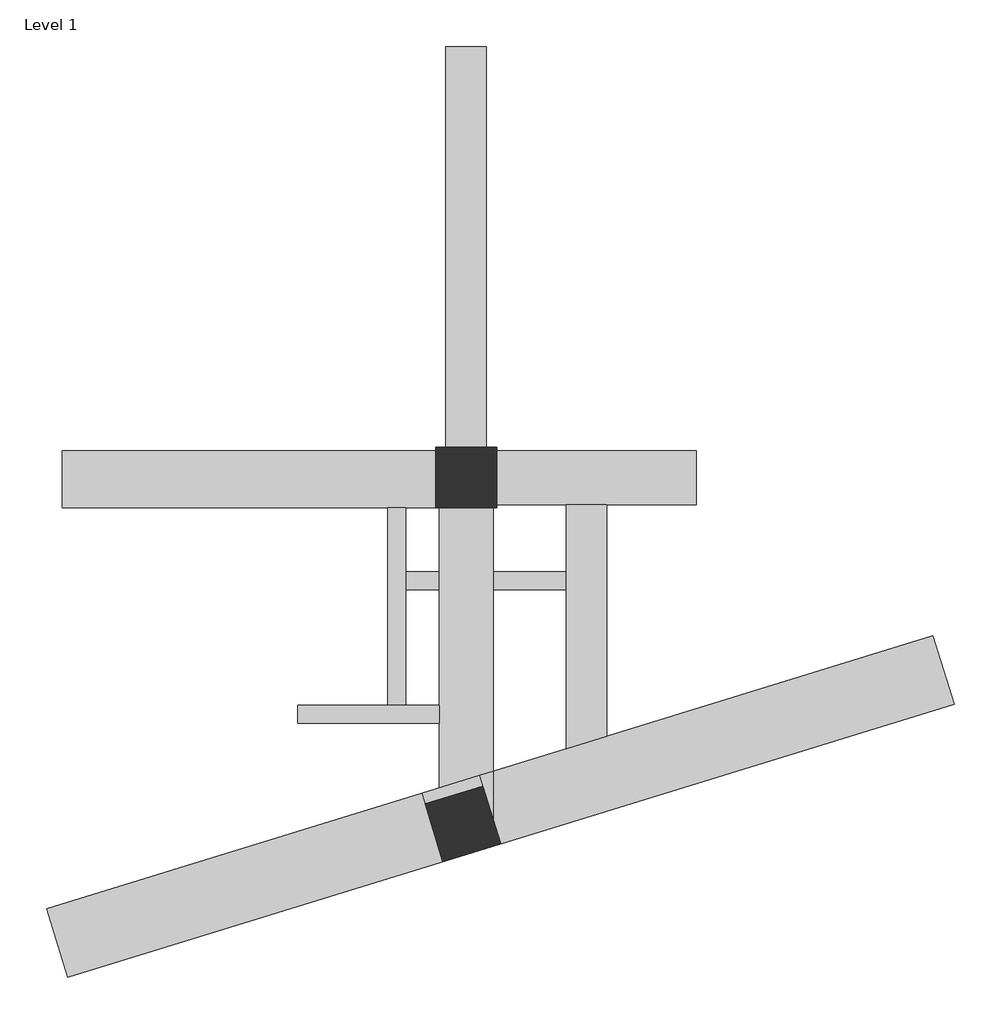
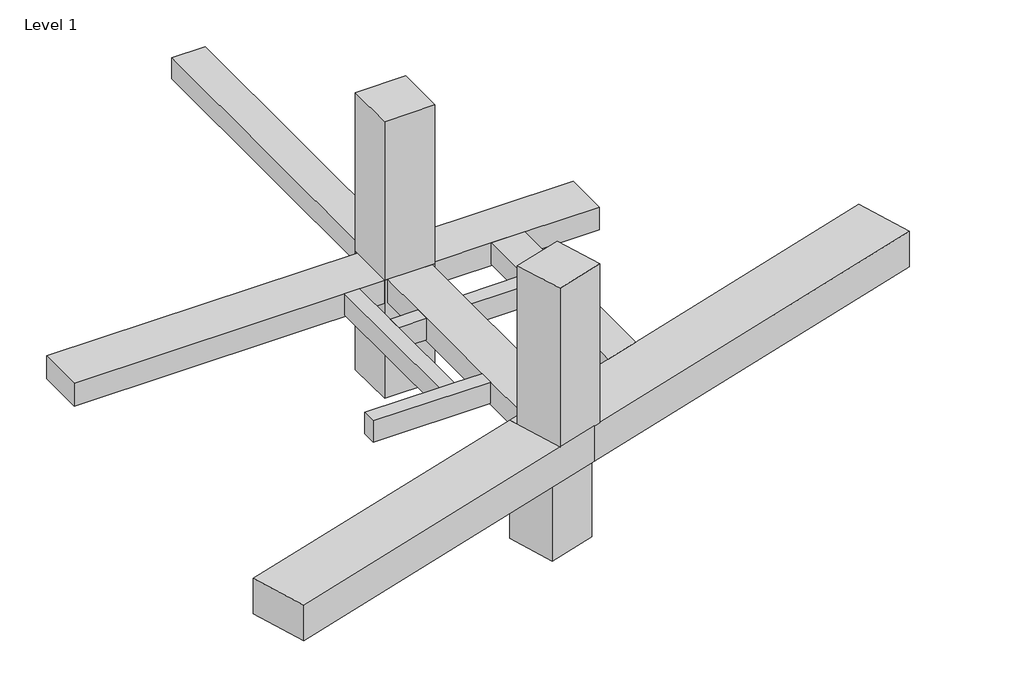
# One storey: 11 beams, 4 columns.
"""IFC4 building model written with IfcOpenShell, lengths in millimetres."""

import ifcopenshell
import ifcopenshell.guid

model = None  # the IFC model being written
_history = None  # IfcOwnerHistory: only IFC2X3 demands one
_inside = {}  # id of a spatial element -> (the spatial element, [elements in it])
_under = {}  # id of a project, library or spatial element -> (it, [spatial elements below it])
_declared = {}  # id of a project -> (the project, [libraries it declares])
_typed = {}  # id of a type object -> (the type object, [elements of that type])
_made_of = {}  # id of a material, layer set ... -> (it, [elements and type objects made of it])


def new_model(schema):
    """Start an empty IFC model of exactly this schema.

    Asked for "IFC4X3", IfcOpenShell would pick the latest addendum, in which some entities
    have other attributes; the version numbers below select the first issue.
    IFC2X3 requires an IfcOwnerHistory on every rooted entity: one is made here for all.
    """
    global model, _history
    if schema == "IFC4X3":
        model = ifcopenshell.file(schema_version=(4, 3, 0, 0))
    else:
        model = ifcopenshell.file(schema=schema)
    _inside.clear()
    _under.clear()
    _declared.clear()
    _typed.clear()
    _made_of.clear()
    _history = None
    if model.schema == "IFC2X3":
        org = make("IfcOrganization", Name="unknown")
        user = make(
            "IfcPersonAndOrganization",
            ThePerson=make("IfcPerson", FamilyName="unknown"),
            TheOrganization=org,
        )
        app = make(
            "IfcApplication",
            ApplicationDeveloper=org,
            Version="unknown",
            ApplicationFullName="unknown",
            ApplicationIdentifier="unknown",
        )
        _history = make(
            "IfcOwnerHistory",
            OwningUser=user,
            OwningApplication=app,
            ChangeAction="ADDED",
            CreationDate=0,
        )
    return model


def make(cls, **values):
    """One entity of the class cls with the attributes given. An attribute that is None is left unset."""
    return model.create_entity(
        cls, **{name: value for name, value in values.items() if value is not None}
    )


def rooted(cls, **values):
    """An entity with a GlobalId (a new one), such as an element, a storey or a relation."""
    return make(cls, GlobalId=ifcopenshell.guid.new(), OwnerHistory=_history, **values)


def si_unit(unit_type, name, prefix=None):
    """IfcSIUnit, for example si_unit("LENGTHUNIT", "METRE", prefix="MILLI")."""
    return make("IfcSIUnit", UnitType=unit_type, Prefix=prefix, Name=name)


def assignment(units):
    """IfcUnitAssignment: the units of a project."""
    return None if units is None else make("IfcUnitAssignment", Units=units)


def point(xyz):
    """IfcCartesianPoint."""
    return None if xyz is None else make("IfcCartesianPoint", Coordinates=xyz)


def direction(xyz):
    """IfcDirection."""
    return None if xyz is None else make("IfcDirection", DirectionRatios=xyz)


def frame(location, z_axis=None, x_axis=None):
    """IfcAxis2Placement3D, a coordinate frame: its origin and axes. An axis left out is left unset."""
    return make(
        "IfcAxis2Placement3D",
        Location=point(location),
        Axis=direction(z_axis),
        RefDirection=direction(x_axis),
    )


def origin():
    """The frame at (0, 0, 0) with its axes left unset."""
    return frame((0.0, 0.0, 0.0))


def origin_with_axes():
    """The frame at (0, 0, 0) with the z axis (0, 0, 1) and the x axis (1, 0, 0) written out."""
    return frame((0.0, 0.0, 0.0), z_axis=(0.0, 0.0, 1.0), x_axis=(1.0, 0.0, 0.0))


def place(relative_to, where):
    """IfcLocalPlacement: puts the frame where relative to a parent placement (None: the world)."""
    return make(
        "IfcLocalPlacement", PlacementRelTo=relative_to, RelativePlacement=where
    )


def context(
    kind, dimensions, precision=None, world=None, true_north=None, identifier=None
):
    """IfcGeometricRepresentationContext, for example the 3D "Model" context."""
    return make(
        "IfcGeometricRepresentationContext",
        ContextIdentifier=identifier,
        ContextType=kind,
        CoordinateSpaceDimension=dimensions,
        Precision=precision,
        WorldCoordinateSystem=world,
        TrueNorth=true_north,
    )


def project(units=None, contexts=None):
    """IfcProject with its units and contexts."""
    return rooted(
        "IfcProject",
        Name="project",
        RepresentationContexts=contexts,
        UnitsInContext=assignment(units),
    )


def spatial(cls, under=None, at=None, **own):
    """A site, building, storey or space (cls), placed at a placement, below another one or the project."""
    s = rooted(cls, ObjectPlacement=at, **own)
    if under is not None:
        _under.setdefault(under.id(), (under, []))[1].append(s)
    return s


def polyline(points):
    """IfcPolyline through the points."""
    return make("IfcPolyline", Points=[point(p) for p in points])


def outline(outer, holes=None, kind="AREA"):
    """IfcArbitraryClosedProfileDef: a profile drawn as a closed curve; with holes, ...WithVoids."""
    if holes is None:
        return make("IfcArbitraryClosedProfileDef", ProfileType=kind, OuterCurve=outer)
    return make(
        "IfcArbitraryProfileDefWithVoids",
        ProfileType=kind,
        OuterCurve=outer,
        InnerCurves=holes,
    )


def extrude(swept, where, along, depth):
    """IfcExtrudedAreaSolid: the profile swept, set in the frame where, extruded along a direction by depth."""
    return make(
        "IfcExtrudedAreaSolid",
        SweptArea=swept,
        Position=where,
        ExtrudedDirection=direction(along),
        Depth=depth,
    )


def faces_of(points, faces, orient=None, outer=None):
    """IfcFace entities. A face is a list of loops; a loop is a list of indices into points, from 0.

    orient and outer hold one flag for each loop. By default every Orientation is true, the
    first loop of a face is its IfcFaceOuterBound and the others are IfcFaceBound.
    """
    made = []
    for i, loops in enumerate(faces):
        bounds = []
        for j, loop in enumerate(loops):
            is_outer = j == 0 if outer is None else outer[i][j]
            bounds.append(
                make(
                    "IfcFaceOuterBound" if is_outer else "IfcFaceBound",
                    Bound=make("IfcPolyLoop", Polygon=[points[k] for k in loop]),
                    Orientation=True if orient is None else orient[i][j],
                )
            )
        made.append(make("IfcFace", Bounds=bounds))
    return made


def faceted_brep(points, faces, orient=None, outer=None, voids=None):
    """IfcFacetedBrep: a solid bounded by flat faces; with voids (closed shells), ...WithVoids."""
    shared = [point(p) for p in points]
    hull = make("IfcClosedShell", CfsFaces=faces_of(shared, faces, orient, outer))
    if voids is None:
        return make("IfcFacetedBrep", Outer=hull)
    return make(
        "IfcFacetedBrepWithVoids",
        Outer=hull,
        Voids=[
            make(cls, CfsFaces=faces_of(shared, fs, o, b)) for cls, fs, o, b in voids
        ],
    )


def shape(context_of_items, identifier, shape_type, items):
    """IfcShapeRepresentation: the items that make up one representation, for example the "Body"."""
    return make(
        "IfcShapeRepresentation",
        ContextOfItems=context_of_items,
        RepresentationIdentifier=identifier,
        RepresentationType=shape_type,
        Items=items,
    )


def made_of(thing, what):
    """Note that an element or type object is made of a material, layer set ...; save() writes the relation."""
    if what is not None:
        _made_of.setdefault(what.id(), (what, []))[1].append(thing)
    return thing


def element(
    cls,
    number,
    at=None,
    inside=None,
    cuts=None,
    type_object=None,
    material=None,
    context=None,
    identifier="Body",
    shape_type=None,
    held_by="IfcProductDefinitionShape",
    body=None,
    shapes=None,
    **own,
):
    """One element of the class cls, such as IfcWall. Its Tag is "e" and its number.

    at: its placement. inside: the storey or other place that contains it. cuts: it is an
    opening in that element (IfcRelVoidsElement). A single representation is given by context,
    identifier, shape_type and body (its items); several are given by shapes. held_by: the class
    of the entity that holds the representations. save() writes the other relations.
    """
    e = rooted(cls, Tag="e%d" % number, ObjectPlacement=at, **own)
    if body is not None:
        shapes = [shape(context, identifier, shape_type, body)]
    if shapes is not None:
        e.Representation = make(held_by, Representations=shapes)
    if inside is not None:
        _inside.setdefault(inside.id(), (inside, []))[1].append(e)
    if cuts is not None:
        rooted(
            "IfcRelVoidsElement", RelatingBuildingElement=cuts, RelatedOpeningElement=e
        )
    if type_object is not None:
        _typed.setdefault(type_object.id(), (type_object, []))[1].append(e)
    return made_of(e, material)


def aggregate(whole, parts):
    """IfcRelAggregates: a whole, such as a stair, and the parts it consists of."""
    return rooted("IfcRelAggregates", RelatingObject=whole, RelatedObjects=parts)


def save(model, path):
    """Write the relations noted so far, then the file.

    IfcRelAggregates (storeys below a building ...), IfcRelContainedInSpatialStructure (elements
    in a storey), IfcRelDefinesByType, IfcRelAssociatesMaterial and IfcRelDeclares: one each for
    every whole, place, type object, material and project.
    """
    for whole, parts in _under.values():
        aggregate(whole, parts)
    for where, things in _inside.values():
        rooted(
            "IfcRelContainedInSpatialStructure",
            RelatedElements=things,
            RelatingStructure=where,
        )
    for kind, things in _typed.values():
        rooted("IfcRelDefinesByType", RelatedObjects=things, RelatingType=kind)
    for what, things in _made_of.values():
        rooted("IfcRelAssociatesMaterial", RelatedObjects=things, RelatingMaterial=what)
    for by, libraries in _declared.values():
        rooted("IfcRelDeclares", RelatingContext=by, RelatedDefinitions=libraries)
    model.write(path)


model = new_model("IFC4")

# Units and contexts
model_context = context("Model", 3, world=origin())
ifc_project = project(units=[si_unit("LENGTHUNIT", "METRE", prefix="MILLI")], contexts=[model_context])

# Site, building, storey
site = spatial("IfcSite", under=ifc_project)
building = spatial("IfcBuilding", under=site)
storey = spatial("IfcBuildingStorey", under=building, Name="Level 1", Elevation=0.0)

# Beams
placement = place(None, origin())
element("IfcBeam", 1, ObjectType="1200x650dp", at=placement, inside=storey, context=model_context, shape_type="Brep", body=[
    faceted_brep([(5990.7247437, 3420.810348, 0.0), (5990.7247437, 2220.810348, 0.0), (5990.7247437, 2220.810348, -650.0), (5990.7247437, 3420.810348, -650.0), (1540.7247435, 3420.810348, -650.0), (1540.7247435, 3420.810348, 0.0), (1540.7247435, 2220.810348, -650.0), (3990.7247437, 2220.810348, 0.0), (3090.7247437, 2220.810348, 0.0), (1540.7247435, 2220.810348, 0.0)], [[[0, 1, 2, 3]], [[0, 3, 4, 5]], [[3, 2, 6, 4]], [[2, 1, 7, 8, 9, 6]], [[1, 0, 5, 9, 8, 7]], [[5, 4, 6, 9]]]),
])
element("IfcBeam", 2, ObjectType="1200x650dp", at=placement, inside=storey, context=model_context, shape_type="Brep", body=[
    faceted_brep([(1465.7247435, 2145.810348, -650.0), (1465.7247435, 2145.810348, 0.0), (1465.7247435, 720.7865497, 0.0), (1465.7247435, 320.7865497, 0.0), (1465.7247435, -3717.3484927, 0.0), (1465.7247435, -3717.3484927, -650.0), (265.7247435, 2145.810348, -650.0), (265.7247435, -4087.1527786, -650.0), (265.7247435, 2145.810348, 0.0), (265.7247435, -4087.1527786, 0.0), (265.7247435, -2654.2132744, 0.0), (265.7247435, -2254.2132744, 0.0), (265.7247435, 320.7865497, 0.0), (265.7247435, 720.7865497, 0.0), (1164.7736599, -3810.0926599, 0.0)], [[[0, 1, 2, 3, 4, 5]], [[6, 0, 5, 7]], [[8, 6, 7, 9, 10, 11, 12, 13]], [[1, 8, 13, 12, 11, 10, 9, 14, 4, 3, 2]], [[1, 0, 6, 8]], [[5, 4, 14, 9, 7]]]),
])
element("IfcBeam", 3, ObjectType="1275x650dp", at=placement, inside=storey, context=model_context, shape_type="Brep", body=[
    faceted_brep([(-8134.2752565, 3420.810348, 0.0), (-8134.2752565, 3420.810348, -650.0), (-8134.2752565, 2145.810348, -650.0), (-8134.2752565, 2145.810348, 0.0), (190.7247435, 3420.810348, 0.0), (190.7247435, 3420.810348, -650.0), (190.7247435, 2145.810348, -650.0), (190.7247435, 2145.810348, 0.0), (-484.2735961, 2145.810348, 0.0), (-884.2735961, 2145.810348, 0.0)], [[[0, 1, 2, 3]], [[1, 0, 4, 5]], [[2, 1, 5, 6]], [[3, 2, 6, 7, 8, 9]], [[0, 3, 9, 8, 7, 4]], [[5, 4, 7, 6]]]),
])
element("IfcBeam", 4, ObjectType="1600x1000dp", at=placement, inside=storey, context=model_context, shape_type="Brep", body=[
    faceted_brep([(-8480.2959497, -6782.2182452, 0.0), (-8480.2959497, -6782.2182452, -1000.0), (-8009.1188366, -8311.2676649, -1000.0), (-8009.1188366, -8311.2676649, 0.0), (-125.3634726, -4207.6428826, 0.0), (-125.3634726, -4207.6428826, -1000.0), (272.1989332, -5497.8001273, -1000.0), (1465.7247435, -5130.0147317, -1000.0), (1465.7247435, -5391.5913046, -1000.0), (1465.7247435, -5391.5913046, 0.0), (1465.7247435, -5130.0147317, 0.0), (272.1989332, -5497.8001273, 0.0)], [[[0, 1, 2, 3]], [[1, 0, 4, 5]], [[2, 1, 5, 6, 7, 8]], [[3, 2, 8, 9]], [[0, 3, 9, 10, 11, 4]], [[6, 11, 10, 7]], [[11, 6, 5, 4]], [[9, 8, 7, 10]]]),
    faceted_brep([(1465.7247435, -3717.3484927, -1000.0), (1465.7247435, -3717.3484927, -650.0), (1465.7247435, -3717.3484927, 0.0), (1465.7247435, -4786.7298248, 0.0), (1465.7247435, -4786.7298248, -1000.0), (1164.7719753, -3810.0871934, 0.0), (1164.7719753, -3810.0871934, -1000.0)], [[[0, 1, 2, 3, 4]], [[5, 6, 4, 3]], [[2, 1, 0, 6, 5]], [[6, 0, 4]], [[2, 5, 3]]]),
])
element("IfcBeam", 5, ObjectType="1600x1000dp", at=placement, inside=storey, context=model_context, shape_type="Brep", body=[
    faceted_brep([(11261.4618042, -698.7886942, 0.0), (11732.6389172, -2227.838114, 0.0), (11732.6389172, -2227.838114, -1000.0), (11261.4618042, -698.7886942, -1000.0), (1465.7247435, -3717.3484927, -1000.0), (1465.7247435, -3717.3484927, 0.0), (3090.7247437, -3216.6041748, 0.0), (3990.7247437, -2939.2688603, 0.0), (1465.7247435, -5391.5913046, -1000.0), (1465.7247435, -5130.0147317, -1000.0), (1562.3343812, -5100.2444381, -1000.0), (1465.7247435, -4786.7298248, -1000.0), (1465.7247435, -5391.5913046, 0.0), (1465.7247435, -4786.7298248, 0.0), (1562.3343812, -5100.2444381, 0.0), (1465.7247435, -5130.0147317, 0.0)], [[[0, 1, 2, 3]], [[0, 3, 4, 5, 6, 7]], [[3, 2, 8, 9, 10, 11, 4]], [[2, 1, 12, 8]], [[1, 0, 7, 6, 5, 13, 14, 15, 12]], [[10, 14, 13, 11]], [[14, 10, 9, 15]], [[5, 4, 11, 13]], [[9, 8, 12, 15]]]),
])
element("IfcBeam", 6, ObjectType="400x600dp", at=placement, inside=storey, context=model_context, shape_type="SweptSolid", body=[
    extrude(outline(polyline([(1465.7247435, 320.7865497), (1465.7247435, 720.7865497), (3090.7247437, 720.7865497), (3090.7247437, 320.7865497), (1465.7247435, 320.7865497)])), frame((0.0, 0.0, -600.0), z_axis=(0.0, 0.0, 1.0), x_axis=(1.0, 0.0, 0.0)), (0.0, 0.0, 1.0), 600.0),
])
element("IfcBeam", 7, ObjectType="400x600dp", at=placement, inside=storey, context=model_context, shape_type="SweptSolid", body=[
    extrude(outline(polyline([(265.7247435, 720.7865497), (265.7247435, 320.7865497), (-484.2735961, 320.7865497), (-484.2735961, 720.7865497), (265.7247435, 720.7865497)])), frame((0.0, 0.0, -600.0), z_axis=(0.0, 0.0, 1.0), x_axis=(1.0, 0.0, 0.0)), (0.0, 0.0, 1.0), 600.0),
])
element("IfcBeam", 8, ObjectType="400x600dp", at=placement, inside=storey, context=model_context, shape_type="Brep", body=[
    faceted_brep([(-884.2735961, 2145.810348, 0.0), (-884.2735961, 2145.810348, -600.0), (-884.2735961, -2254.2132744, -600.0), (-884.2735961, -2254.2132744, 0.0), (-484.2735961, 2145.810348, -600.0), (-484.2735961, 720.7865497, -600.0), (-484.2735961, 320.7865497, -600.0), (-484.2735961, -2254.2132744, -600.0), (-484.2735961, 2145.810348, 0.0), (-484.2735961, 720.7865497, 0.0), (-484.2735961, 320.7865497, 0.0), (-484.2735961, -2254.2132744, 0.0)], [[[0, 1, 2, 3]], [[1, 4, 5, 6, 7, 2]], [[4, 8, 9, 10, 11, 7, 6, 5]], [[8, 0, 3, 11, 10, 9]], [[1, 0, 8, 4]], [[3, 2, 7, 11]]]),
])
element("IfcBeam", 9, ObjectType="400x600dp", at=placement, inside=storey, context=model_context, shape_type="Brep", body=[
    faceted_brep([(-2884.273414, -2254.2132744, 0.0), (-2884.273414, -2254.2132744, -600.0), (-2884.273414, -2654.2132744, -600.0), (-2884.273414, -2654.2132744, 0.0), (-884.2735961, -2254.2132744, 0.0), (-484.2735961, -2254.2132744, 0.0), (265.7247435, -2254.2132744, 0.0), (265.7247435, -2254.2132744, -600.0), (-484.2735961, -2254.2132744, -600.0), (-884.2735961, -2254.2132744, -600.0), (265.7247435, -2654.2132744, -600.0), (265.7247435, -2654.2132744, 0.0)], [[[0, 1, 2, 3]], [[1, 0, 4, 5, 6, 7, 8, 9]], [[2, 1, 9, 8, 7, 10]], [[3, 2, 10, 11]], [[0, 3, 11, 6, 5, 4]], [[7, 6, 11, 10]]]),
])
element("IfcBeam", 10, ObjectType="900x600dp", at=placement, inside=storey, context=model_context, shape_type="SweptSolid", body=[
    extrude(outline(polyline([(415.7247436, 12420.8103487), (1315.7247436, 12420.8103487), (1315.7247436, 3495.810348), (415.7247436, 3495.810348), (415.7247436, 12420.8103487)])), frame((0.0, 0.0, -600.0), z_axis=(0.0, 0.0, 1.0), x_axis=(1.0, 0.0, 0.0)), (0.0, 0.0, 1.0), 600.0),
])
element("IfcBeam", 11, ObjectType="900x600dp", at=placement, inside=storey, context=model_context, shape_type="Brep", body=[
    faceted_brep([(3990.7247437, 2220.810348, -600.0), (3990.7247437, 2220.810348, 0.0), (3990.7247437, -2939.2688603, 0.0), (3990.7247437, -2939.2688603, -600.0), (3090.7247437, 2220.810348, -600.0), (3090.7247437, -3216.6041748, -600.0), (3090.7247437, 320.7865497, -600.0), (3090.7247437, 720.7865497, -600.0), (3090.7247437, 2220.810348, 0.0), (3090.7247437, -3216.6041748, 0.0), (3090.7247437, 320.7865497, 0.0), (3090.7247437, 720.7865497, 0.0)], [[[0, 1, 2, 3]], [[4, 0, 3, 5, 6, 7]], [[8, 4, 7, 6, 5, 9, 10, 11]], [[1, 8, 11, 10, 9, 2]], [[1, 0, 4, 8]], [[3, 2, 9, 5]]]),
])

# Columns
element("IfcColumn", 12, at=placement, inside=storey, context=model_context, shape_type="SweptSolid", body=[
    extrude(outline(polyline([(1540.7247435, 3495.810348), (1540.7247435, 2145.810348), (190.7247435, 2145.810348), (190.7247435, 3495.810348), (1540.7247435, 3495.810348)])), origin_with_axes(), (0.0, 0.0, 1.0), 4500.0),
])
element("IfcColumn", 13, at=placement, inside=storey, context=model_context, shape_type="SweptSolid", body=[
    extrude(outline(polyline([(1238.3999796, -4049.0230156), (1635.9556688, -5339.1584636), (345.8202208, -5736.7141527), (-51.7354683, -4446.5787048), (1238.3999796, -4049.0230156)])), origin_with_axes(), (0.0, 0.0, 1.0), 4500.0),
])
element("IfcColumn", 14, at=placement, inside=storey, context=model_context, shape_type="SweptSolid", body=[
    extrude(outline(polyline([(1540.7247435, 3495.810348), (1540.7247435, 2145.810348), (190.7247435, 2145.810348), (190.7247435, 3495.810348), (1540.7247435, 3495.810348)])), frame((0.0, 0.0, -3350.0), z_axis=(0.0, 0.0, 1.0), x_axis=(1.0, 0.0, 0.0)), (0.0, 0.0, 1.0), 3350.0),
])
element("IfcColumn", 15, at=placement, inside=storey, context=model_context, shape_type="SweptSolid", body=[
    extrude(outline(polyline([(1164.778692, -3810.1089902), (1562.3343812, -5100.2444381), (272.1989332, -5497.8001273), (-125.3567559, -4207.6646793), (1164.778692, -3810.1089902)])), frame((0.0, 0.0, -3350.0), z_axis=(0.0, 0.0, 1.0), x_axis=(1.0, 0.0, 0.0)), (0.0, 0.0, 1.0), 3350.0),
])

save(model, "model.ifc")
